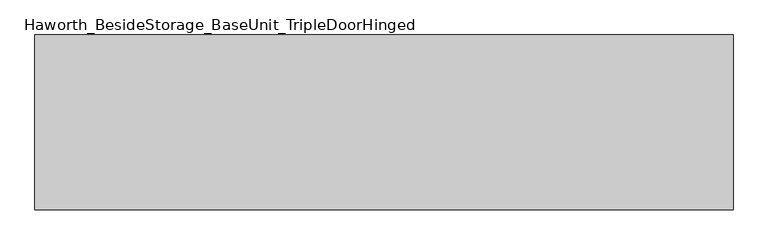
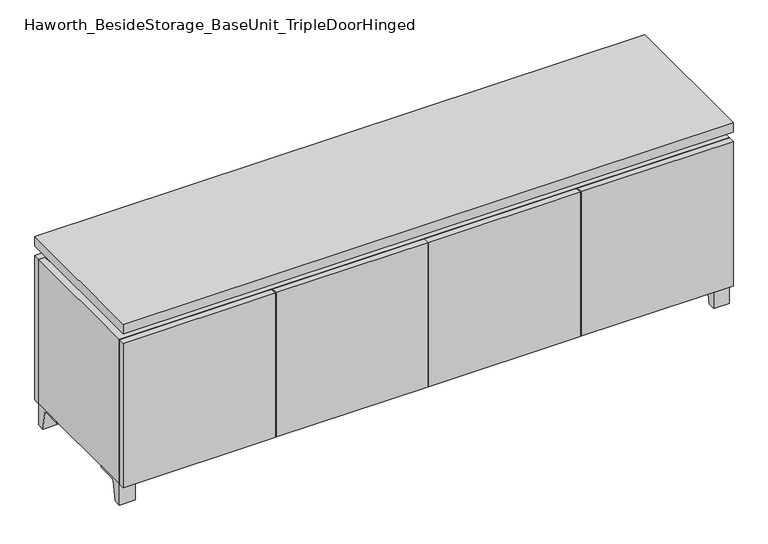
"""IFC4 building model written with IfcOpenShell, lengths in millimetres: furniture geometry, Haworth_BesideStorage_BaseUnit_TripleDoorHinged."""

from ifc_helpers import new_model, si_unit, point, frame, frame_2d, origin, place, context, project, spatial, polyline, circle_curve, trimmed, segment, composite_curve, outline, extrude, faceted_brep, source, transform, mapped, element, save


def haworth_besidestorage_baseunit_tripledoorhinged_1c0ca0a0(model_context):
    return source(origin(), model_context, "Body", "SolidModel", [
        extrude(outline(composite_curve([segment(polyline([(38.6291531, 0.0), (15.875, 0.0), (15.875, 66.675), (111.125, 66.675), (111.125, 61.8963321), (54.3244655, 61.8963321)]), True, "CONTINUOUS"), segment(trimmed(circle_curve(frame_2d((54.3244655, 55.5463321)), 6.35), [point((54.3244655, 61.8963321))], [point((48.0608641, 56.5902656))], True, "CARTESIAN"), True, "CONTINUOUS"), segment(polyline([(48.0608641, 56.5902656), (38.6291531, 0.0)]), True, "CONTINUOUS")], self_intersect=False)), frame((-23.7986094, 0.0, 0.0), z_axis=(1.0, 0.0, 0.0), x_axis=(0.0, 1.0, 0.0)), (0.0, 0.0, 1.0), 47.625),
        extrude(outline(composite_curve([segment(polyline([(-129.6458469, 0.0), (-152.4, 0.0), (-152.4, 66.675), (-57.15, 66.675), (-57.15, 61.8963321), (-113.9505345, 61.8963321)]), True, "CONTINUOUS"), segment(trimmed(circle_curve(frame_2d((-113.9505345, 55.5463321)), 6.35), [point((-113.9505345, 61.8963321))], [point((-120.2141359, 56.5902656))], True, "CARTESIAN"), True, "CONTINUOUS"), segment(polyline([(-120.2141359, 56.5902656), (-129.6458469, 0.0)]), True, "CONTINUOUS")], self_intersect=False)), frame((865.2013906, 0.0, 0.0), z_axis=(1.0, 0.0, 0.0), x_axis=(0.0, 1.0, 0.0)), (0.0, 0.0, 1.0), 47.625),
        extrude(outline(composite_curve([segment(polyline([(243.9458469, 0.0), (234.5141359, 56.5902656)]), True, "CONTINUOUS"), segment(trimmed(circle_curve(frame_2d((228.2505345, 55.5463321)), 6.35), [point((234.5141359, 56.5902656))], [point((228.2505345, 61.8963321))], True, "CARTESIAN"), True, "CONTINUOUS"), segment(polyline([(228.2505345, 61.8963321), (171.45, 61.8963321), (171.45, 66.675), (266.7, 66.675), (266.7, 0.0), (243.9458469, 0.0)]), True, "CONTINUOUS")], self_intersect=False)), frame((865.2013906, 0.0, 0.0), z_axis=(1.0, 0.0, 0.0), x_axis=(0.0, 1.0, 0.0)), (0.0, 0.0, 1.0), 47.625),
        extrude(outline(composite_curve([segment(polyline([(-129.6458469, 0.0), (-152.4, 0.0), (-152.4, 66.675), (-57.15, 66.675), (-57.15, 61.8963321), (-113.9505345, 61.8963321)]), True, "CONTINUOUS"), segment(trimmed(circle_curve(frame_2d((-113.9505345, 55.5463321)), 6.35), [point((-113.9505345, 61.8963321))], [point((-120.2141359, 56.5902656))], True, "CARTESIAN"), True, "CONTINUOUS"), segment(polyline([(-120.2141359, 56.5902656), (-129.6458469, 0.0)]), True, "CONTINUOUS")], self_intersect=False)), frame((-912.7986094, 0.0, 0.0), z_axis=(1.0, 0.0, 0.0), x_axis=(0.0, 1.0, 0.0)), (0.0, 0.0, 1.0), 47.625),
        extrude(outline(composite_curve([segment(polyline([(243.9458469, 0.0), (234.5141359, 56.5902656)]), True, "CONTINUOUS"), segment(trimmed(circle_curve(frame_2d((228.2505345, 55.5463321)), 6.35), [point((234.5141359, 56.5902656))], [point((228.2505345, 61.8963321))], True, "CARTESIAN"), True, "CONTINUOUS"), segment(polyline([(228.2505345, 61.8963321), (171.45, 61.8963321), (171.45, 66.675), (266.7, 66.675), (266.7, 0.0), (243.9458469, 0.0)]), True, "CONTINUOUS")], self_intersect=False)), frame((-912.7986094, 0.0, 0.0), z_axis=(1.0, 0.0, 0.0), x_axis=(0.0, 1.0, 0.0)), (0.0, 0.0, 1.0), 47.625),
        faceted_brep([(-912.7986094, -152.4, 66.675), (912.8125, -152.4, 66.675), (912.8125, -152.4, 523.875), (-912.7986094, -152.4, 523.875), (-893.7486094, -152.4, 85.725), (-893.7486094, -152.4, 504.825), (893.7694453, -152.4, 504.825), (893.7486094, -152.4, 85.725), (-912.7986094, 266.7, 66.675), (-912.7986094, 266.7, 523.875), (-893.7486094, 266.7, 523.875), (-893.7486094, 266.7, 85.725), (893.7486094, 266.7, 85.725), (893.7486094, 266.7, 523.875), (912.8125, 266.7, 523.875), (912.8125, 266.7, 66.675), (893.7486094, 241.3, 523.875), (-893.7416641, 241.3, 523.875), (-893.7486094, 241.3, 504.825), (893.7486094, 241.3, 504.825)], [[[0, 1, 2, 3], [4, 5, 6, 7]], [[8, 9, 10, 11, 12, 13, 14, 15]], [[1, 0, 8, 15]], [[2, 1, 15, 14]], [[3, 2, 14, 13, 16, 17, 10, 9]], [[0, 3, 9, 8]], [[11, 10, 17, 18, 5, 4]], [[13, 12, 7, 6, 19, 16]], [[4, 7, 12, 11]], [[6, 5, 18, 19]], [[17, 16, 19, 18]]]),
        extrude(outline(polyline([(912.8263906, -171.45), (-912.7986094, -171.45), (-912.7986094, 285.75), (912.8263906, 285.75), (912.8263906, -171.45)])), frame((0.0, 0.0, 554.0375), z_axis=(0.0, 0.0, 1.0), x_axis=(1.0, 0.0, 0.0)), (0.0, 0.0, 1.0), 30.1625),
        faceted_brep([(7.9513906, -76.2, 554.0375), (7.9513906, -76.2, 523.875), (7.9513906, 47.625, 523.875), (7.9513906, 47.625, 554.0375), (7.9513906, 190.5, 523.875), (7.9513906, 190.5, 554.0375), (7.9513906, 66.675, 554.0375), (7.9513906, 66.675, 523.875), (-7.9236094, 190.5, 554.0375), (-7.9236094, 190.5, 523.875), (-7.9236094, 66.675, 523.875), (-7.9236094, 66.675, 554.0375), (-7.9236094, -76.2, 523.875), (-7.9236094, -76.2, 554.0375), (-7.9236094, 47.625, 554.0375), (-7.9236094, 47.625, 523.875), (-871.4958281, 66.675, 554.0375), (-871.5166641, 241.3, 554.0375), (-887.3916641, 241.3, 554.0375), (-887.3916641, -127.0, 554.0375), (-871.5166641, -127.0, 554.0375), (-871.5166641, 47.625, 554.0375), (871.5236094, 47.625, 554.0375), (871.5236094, -127.0, 554.0375), (887.3986094, -127.0, 554.0375), (887.3986094, 241.3, 554.0375), (871.5236094, 241.3, 554.0375), (871.5236094, 66.675, 554.0375), (-871.4958281, 47.625, 523.875), (-871.5166641, -127.0, 523.875), (-887.3916641, -127.0, 523.875), (-887.3916641, 241.3, 523.875), (-871.5166641, 241.3, 523.875), (-871.5166641, 66.675, 523.875), (871.5236094, 66.675, 523.875), (871.5236094, 241.3, 523.875), (887.3986094, 241.3, 523.875), (887.3986094, -127.0, 523.875), (871.5236094, -127.0, 523.875), (871.5236094, 47.625, 523.875)], [[[0, 1, 2, 3]], [[4, 5, 6, 7]], [[8, 9, 10, 11]], [[12, 13, 14, 15]], [[5, 8, 11, 16, 17, 18, 19, 20, 21, 14, 13, 0, 3, 22, 23, 24, 25, 26, 27, 6]], [[1, 12, 15, 28, 29, 30, 31, 32, 33, 10, 9, 4, 7, 34, 35, 36, 37, 38, 39, 2]], [[5, 4, 9, 8]], [[1, 0, 13, 12]], [[6, 27, 34, 7]], [[22, 3, 2, 39]], [[20, 29, 28, 21]], [[32, 17, 16, 33]], [[18, 31, 30, 19]], [[29, 20, 19, 30]], [[17, 32, 31, 18]], [[26, 35, 34, 27]], [[38, 23, 22, 39]], [[25, 24, 37, 36]], [[23, 38, 37, 24]], [[35, 26, 25, 36]], [[16, 11, 10, 33]], [[14, 21, 28, 15]]]),
        extrude(outline(polyline([(912.8263906, 266.7), (-912.7986094, 266.7), (-912.7986094, 285.75), (912.8263906, 285.75), (912.8263906, 266.7)])), frame((0.0, 0.0, 66.675), z_axis=(0.0, 0.0, 1.0), x_axis=(1.0, 0.0, 0.0)), (0.0, 0.0, 1.0), 457.2),
        extrude(outline(polyline([(-893.7416641, 196.85), (-893.7416641, 203.2), (893.7694453, 203.2), (893.7694453, 196.85), (-893.7416641, 196.85)])), frame((0.0, 0.0, 85.725), z_axis=(0.0, 0.0, 1.0), x_axis=(1.0, 0.0, 0.0)), (0.0, 0.0, 1.0), 419.1),
        extrude(outline(polyline([(458.0076406, -171.45), (458.0076406, -152.4), (912.8263906, -152.4), (912.8263906, -171.45), (458.0076406, -171.45)])), frame((0.0, 0.0, 66.675), z_axis=(0.0, 0.0, 1.0), x_axis=(1.0, 0.0, 0.0)), (0.0, 0.0, 1.0), 457.2),
        extrude(outline(polyline([(-457.9798594, -171.45), (-912.7986094, -171.45), (-912.7986094, -152.4), (-457.9798594, -152.4), (-457.9798594, -171.45)])), frame((0.0, 0.0, 66.675), z_axis=(0.0, 0.0, 1.0), x_axis=(1.0, 0.0, 0.0)), (0.0, 0.0, 1.0), 457.2),
        extrude(outline(polyline([(0.0138906, -171.45), (0.0138906, -152.4), (454.8326406, -152.4), (454.8326406, -171.45), (0.0138906, -171.45)])), frame((0.0, 0.0, 66.675), z_axis=(0.0, 0.0, 1.0), x_axis=(1.0, 0.0, 0.0)), (0.0, 0.0, 1.0), 457.2),
        extrude(outline(polyline([(0.0138906, -171.45), (-454.8048594, -171.45), (-454.8048594, -152.4), (0.0138906, -152.4), (0.0138906, -171.45)])), frame((0.0, 0.0, 66.675), z_axis=(0.0, 0.0, 1.0), x_axis=(1.0, 0.0, 0.0)), (0.0, 0.0, 1.0), 457.2),
        extrude(outline(polyline([(446.8951406, 196.85), (465.9451406, 196.85), (465.9451406, -152.4), (446.8951406, -152.4), (446.8951406, 196.85)])), frame((0.0, 0.0, 85.725), z_axis=(0.0, 0.0, 1.0), x_axis=(1.0, 0.0, 0.0)), (0.0, 0.0, 1.0), 419.1),
        extrude(outline(polyline([(-465.9173594, 196.85), (-446.8673594, 196.85), (-446.8673594, -152.4), (-465.9173594, -152.4), (-465.9173594, 196.85)])), frame((0.0, 0.0, 85.725), z_axis=(0.0, 0.0, 1.0), x_axis=(1.0, 0.0, 0.0)), (0.0, 0.0, 1.0), 419.1),
    ])


if __name__ == "__main__":
    model = new_model("IFC4")
    model_context = context("Model", 3, world=origin())
    ifc_project = project(units=[si_unit("LENGTHUNIT", "METRE", prefix="MILLI")], contexts=[model_context])
    site = spatial("IfcSite", under=ifc_project)
    building = spatial("IfcBuilding", under=site)
    placement = place(None, origin())
    haworth_besidestorage_baseunit_tripledoorhinged_shape = haworth_besidestorage_baseunit_tripledoorhinged_1c0ca0a0(model_context)
    element("IfcFurniture", 1, ObjectType="Haworth_BesideStorage_BaseUnit_TripleDoorHinged", at=placement, inside=building, context=model_context, shape_type="MappedRepresentation", body=[
        mapped(haworth_besidestorage_baseunit_tripledoorhinged_shape, transform((0.0, 0.0, 0.0), x_axis=(1.0, 0.0, 0.0), y_axis=(0.0, 1.0, 0.0), z_axis=(0.0, 0.0, 1.0))),
    ])
    save(model, "model.ifc")
